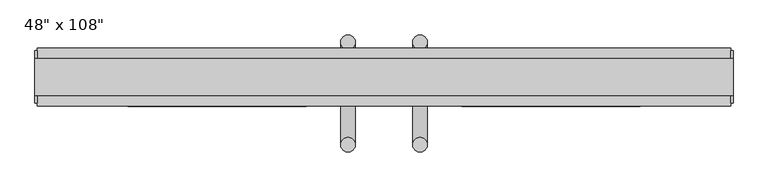
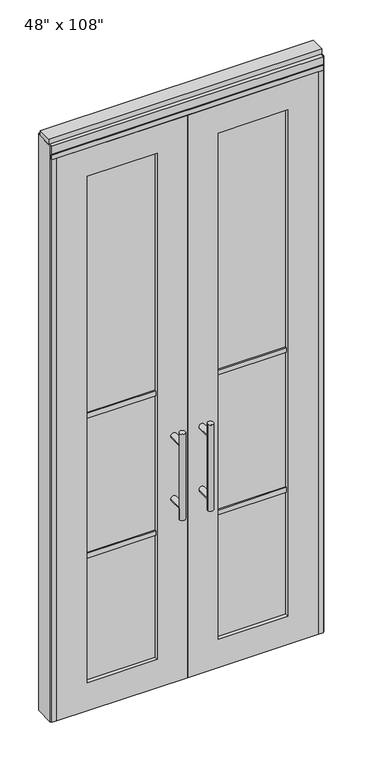
"""IFC4 building model written with IfcOpenShell, lengths in millimetres: furniture geometry."""

from ifc_helpers import new_model, si_unit, frame, origin, origin_with_axes, place, context, project, spatial, polyline, circle_curve, ellipse_curve, outline, extrude, source, transform, mapped, element, save
from ifc_brep_helpers import plane_surface, cylinder_surface, advanced_brep


def furniture_66b95a20(model_context):
    return source(origin(), model_context, "Body", "SolidModel", [
        advanced_brep(
        [(-110.0745229, 56.6962784, 1219.2), (-135.4745229, 56.6962784, 1219.2), (-110.0745229, 56.6962784, 812.8), (-135.4745229, 56.6962784, 812.8), (-110.0745229, 56.6962784, 1164.336), (-110.0745229, 56.6962784, 867.664), (-135.4745229, 56.6962784, 867.664), (-135.4745229, 56.6962784, 1164.336), (-110.0745229, -10.8677216, 1164.336), (-135.4745229, -10.8677216, 1164.336), (-110.0745229, -10.8677216, 867.664), (-135.4745229, -10.8677216, 867.664)],
        [
            (0, 1, circle_curve(frame((-122.7745229, 56.6962784, 1219.2), z_axis=(0.0, 0.0, 1.0), x_axis=(-1.0, 0.0, 0.0)), 12.7)),
            (1, 0, circle_curve(frame((-122.7745229, 56.6962784, 1219.2), z_axis=(0.0, 0.0, 1.0), x_axis=(-1.0, 0.0, 0.0)), 12.7)),
            (2, 3, circle_curve(frame((-122.7745229, 56.6962784, 812.8), z_axis=(0.0, 0.0, -1.0), x_axis=(-1.0, 0.0, 0.0)), 12.7)),
            (3, 2, circle_curve(frame((-122.7745229, 56.6962784, 812.8), z_axis=(0.0, 0.0, -1.0), x_axis=(-1.0, 0.0, 0.0)), 12.7)),
            (0, 4),
            (4, 5),
            (5, 2),
            (3, 6),
            (6, 7),
            (7, 1),
            (7, 4, ellipse_curve(frame((-122.7745229, 56.6962784, 1164.336), z_axis=(0.0, 0.707106781186565, 0.70710678118653), x_axis=(0.0, -0.70710678118653, 0.707106781186565)), 17.9605122, 12.7)),
            (5, 6, ellipse_curve(frame((-122.7745229, 56.6962784, 867.664), z_axis=(0.0, 0.70710678118653, -0.7071067811865649), x_axis=(0.0, 0.7071067811865648, 0.7071067811865301)), 17.9605122, 12.7)),
            (4, 7, ellipse_curve(frame((-122.7745229, 56.6962784, 1164.336), z_axis=(0.0, 0.70710678118653, -0.7071067811865649), x_axis=(0.0, 0.7071067811865648, 0.7071067811865301)), 17.9605122, 12.7)),
            (6, 5, ellipse_curve(frame((-122.7745229, 56.6962784, 867.664), z_axis=(0.0, 0.707106781186565, 0.70710678118653), x_axis=(0.0, -0.70710678118653, 0.707106781186565)), 17.9605122, 12.7)),
            (8, 9, circle_curve(frame((-122.7745229, -10.8677216, 1164.336), z_axis=(0.0, -1.0, 0.0), x_axis=(-1.0, 0.0, 0.0)), 12.7)),
            (9, 8, circle_curve(frame((-122.7745229, -10.8677216, 1164.336), z_axis=(0.0, -1.0, 0.0), x_axis=(-1.0, 0.0, 0.0)), 12.7)),
            (9, 7),
            (4, 8),
            (10, 11, circle_curve(frame((-122.7745229, -10.8677216, 867.664), z_axis=(0.0, -1.0, 0.0), x_axis=(-1.0, 0.0, 0.0)), 12.7)),
            (11, 10, circle_curve(frame((-122.7745229, -10.8677216, 867.664), z_axis=(0.0, -1.0, 0.0), x_axis=(-1.0, 0.0, 0.0)), 12.7)),
            (11, 6),
            (5, 10),
        ],
        [
            plane_surface(frame((-135.4745229, 56.6962784, 1219.2), z_axis=(0.0, 0.0, 1.0), x_axis=(0.0, -1.0, 0.0))),
            plane_surface(frame((-135.4745229, 56.6962784, 812.8), z_axis=(0.0, 0.0, -1.0), x_axis=(0.0, 1.0, 0.0))),
            cylinder_surface(frame((-122.7745229, 56.6962784, 812.8), z_axis=(0.0, 0.0, 1.0), x_axis=(-1.0, 0.0, 0.0)), 12.7),
            plane_surface(frame((-135.4745229, -10.8677216, 1164.336), z_axis=(0.0, -1.0, 0.0), x_axis=(0.0, 0.0, -1.0))),
            cylinder_surface(frame((-122.7745229, -10.8677216, 1164.336), z_axis=(0.0, 1.0, 0.0), x_axis=(-1.0, 0.0, 0.0)), 12.7),
            plane_surface(frame((-135.4745229, -10.8677216, 867.664), z_axis=(0.0, -1.0, 0.0), x_axis=(0.0, 0.0, -1.0))),
            cylinder_surface(frame((-122.7745229, -10.8677216, 867.664), z_axis=(0.0, 1.0, 0.0), x_axis=(-1.0, 0.0, 0.0)), 12.7),
        ],
        [
            (0, [[1, 2]]),
            (1, [[3, 4]]),
            (2, [[-1, 5, 6, 7, -4, 8, 9, 10]]),
            (2, [[-2, -10, 11, -5]]),
            (2, [[-3, -7, 12, -8]]),
            (2, [[13, -9, 14, -6]]),
            (3, [[15, 16]]),
            (4, [[-16, 17, -13, 18]]),
            (4, [[-15, -18, -11, -17]]),
            (5, [[19, 20]]),
            (6, [[-20, 21, -12, 22]]),
            (6, [[-19, -22, -14, -21]]),
        ],
    ),
        advanced_brep(
        [(-110.0745229, -122.8817216, 1219.2), (-135.4745229, -122.8817216, 1219.2), (-110.0745229, -122.8817216, 812.8), (-135.4745229, -122.8817216, 812.8), (-135.4745229, -122.8817216, 1164.336), (-135.4745229, -122.8817216, 867.664), (-110.0745229, -122.8817216, 867.664), (-110.0745229, -122.8817216, 1164.336), (-110.0745229, -55.3177216, 1164.336), (-135.4745229, -55.3177216, 1164.336), (-110.0745229, -55.3177216, 867.664), (-135.4745229, -55.3177216, 867.664)],
        [
            (0, 1, circle_curve(frame((-122.7745229, -122.8817216, 1219.2), z_axis=(0.0, 0.0, 1.0), x_axis=(-1.0, 0.0, 0.0)), 12.7)),
            (1, 0, circle_curve(frame((-122.7745229, -122.8817216, 1219.2), z_axis=(0.0, 0.0, 1.0), x_axis=(-1.0, 0.0, 0.0)), 12.7)),
            (2, 3, circle_curve(frame((-122.7745229, -122.8817216, 812.8), z_axis=(0.0, 0.0, -1.0), x_axis=(-1.0, 0.0, 0.0)), 12.7)),
            (3, 2, circle_curve(frame((-122.7745229, -122.8817216, 812.8), z_axis=(0.0, 0.0, -1.0), x_axis=(-1.0, 0.0, 0.0)), 12.7)),
            (1, 4),
            (4, 5),
            (5, 3),
            (2, 6),
            (6, 7),
            (7, 0),
            (6, 5, ellipse_curve(frame((-122.7745229, -122.8817216, 867.664), z_axis=(0.0, -0.707106781186565, 0.70710678118653), x_axis=(0.0, 0.70710678118653, 0.707106781186565)), 17.9605122, 12.7)),
            (4, 7, ellipse_curve(frame((-122.7745229, -122.8817216, 1164.336), z_axis=(0.0, -0.70710678118653, -0.7071067811865649), x_axis=(0.0, -0.7071067811865648, 0.7071067811865301)), 17.9605122, 12.7)),
            (7, 4, ellipse_curve(frame((-122.7745229, -122.8817216, 1164.336), z_axis=(0.0, -0.707106781186565, 0.70710678118653), x_axis=(0.0, 0.70710678118653, 0.707106781186565)), 17.9605122, 12.7)),
            (5, 6, ellipse_curve(frame((-122.7745229, -122.8817216, 867.664), z_axis=(0.0, -0.70710678118653, -0.7071067811865649), x_axis=(0.0, -0.7071067811865648, 0.7071067811865301)), 17.9605122, 12.7)),
            (8, 9, circle_curve(frame((-122.7745229, -55.3177216, 1164.336), z_axis=(0.0, 1.0, 0.0), x_axis=(-1.0, 0.0, 0.0)), 12.7)),
            (9, 8, circle_curve(frame((-122.7745229, -55.3177216, 1164.336), z_axis=(0.0, 1.0, 0.0), x_axis=(-1.0, 0.0, 0.0)), 12.7)),
            (8, 7),
            (4, 9),
            (10, 11, circle_curve(frame((-122.7745229, -55.3177216, 867.664), z_axis=(0.0, 1.0, 0.0), x_axis=(-1.0, 0.0, 0.0)), 12.7)),
            (11, 10, circle_curve(frame((-122.7745229, -55.3177216, 867.664), z_axis=(0.0, 1.0, 0.0), x_axis=(-1.0, 0.0, 0.0)), 12.7)),
            (10, 6),
            (5, 11),
        ],
        [
            plane_surface(frame((-135.4745229, -122.8817216, 1219.2), z_axis=(0.0, 0.0, 1.0), x_axis=(0.0, 1.0, 0.0))),
            plane_surface(frame((-135.4745229, -122.8817216, 812.8), z_axis=(0.0, 0.0, -1.0), x_axis=(0.0, -1.0, 0.0))),
            cylinder_surface(frame((-122.7745229, -122.8817216, 812.8), z_axis=(0.0, 0.0, 1.0), x_axis=(-1.0, 0.0, 0.0)), 12.7),
            plane_surface(frame((-135.4745229, -55.3177216, 1164.336), z_axis=(0.0, 1.0, 0.0), x_axis=(0.0, 0.0, -1.0))),
            cylinder_surface(frame((-122.7745229, -55.3177216, 1164.336), z_axis=(0.0, -1.0, 0.0), x_axis=(-1.0, 0.0, 0.0)), 12.7),
            plane_surface(frame((-135.4745229, -55.3177216, 867.664), z_axis=(0.0, 1.0, 0.0), x_axis=(0.0, 0.0, -1.0))),
            cylinder_surface(frame((-122.7745229, -55.3177216, 867.664), z_axis=(0.0, -1.0, 0.0), x_axis=(-1.0, 0.0, 0.0)), 12.7),
        ],
        [
            (0, [[1, 2]]),
            (1, [[3, 4]]),
            (2, [[5, 6, 7, -3, 8, 9, 10, -2]]),
            (2, [[-9, 11, -6, 12]]),
            (2, [[-10, 13, -5, -1]]),
            (2, [[-7, 14, -8, -4]]),
            (3, [[15, 16]]),
            (4, [[17, -12, 18, -15]]),
            (4, [[-18, -13, -17, -16]]),
            (5, [[19, 20]]),
            (6, [[21, -14, 22, -19]]),
            (6, [[-22, -11, -21, -20]]),
        ],
    ),
        extrude(outline(polyline([(-196.0535229, -44.2052216), (-507.4575229, -44.2052216), (-507.4575229, -21.9802216), (-196.0535229, -21.9802216), (-196.0535229, -44.2052216)])), frame((0.0, 0.0, 1371.6), z_axis=(0.0, 0.0, 1.0), x_axis=(1.0, 0.0, 0.0)), (0.0, 0.0, 1.0), 22.225),
        extrude(outline(polyline([(-196.0535229, -44.2052216), (-507.4575229, -44.2052216), (-507.4575229, -21.9802216), (-196.0535229, -21.9802216), (-196.0535229, -44.2052216)])), frame((0.0, 0.0, 711.2), z_axis=(0.0, 0.0, 1.0), x_axis=(1.0, 0.0, 0.0)), (0.0, 0.0, 1.0), 22.225),
        extrude(outline(polyline([(-507.4575229, -38.1727216), (-507.4575229, -28.0127216), (-196.0535229, -28.0127216), (-196.0535229, -38.1727216), (-507.4575229, -38.1727216)])), frame((0.0, 0.0, 132.969), z_axis=(0.0, 0.0, 1.0), x_axis=(1.0, 0.0, 0.0)), (0.0, 0.0, 1.0), 2388.362),
        extrude(outline(polyline([(2654.3, -643.4745229), (0.0, -643.4745229), (0.0, -60.0365229), (2654.3, -60.0365229), (2654.3, -643.4745229)]), holes=[polyline([(2521.331, -507.4575229), (2521.331, -196.0535229), (132.969, -196.0535229), (132.969, -507.4575229), (2521.331, -507.4575229)])]), frame((0.0, -55.3177216, 0.0), z_axis=(0.0, 1.0, 0.0), x_axis=(0.0, 0.0, 1.0)), (0.0, 0.0, 1.0), 44.45),
        advanced_brep(
        [(-9.9985229, 56.6962784, 1219.2), (15.4014771, 56.6962784, 1219.2), (-9.9985229, 56.6962784, 812.8), (15.4014771, 56.6962784, 812.8), (15.4014771, 56.6962784, 1164.336), (15.4014771, 56.6962784, 867.664), (-9.9985229, 56.6962784, 867.664), (-9.9985229, 56.6962784, 1164.336), (-9.9985229, -10.8677216, 1164.336), (15.4014771, -10.8677216, 1164.336), (-9.9985229, -10.8677216, 867.664), (15.4014771, -10.8677216, 867.664)],
        [
            (0, 1, circle_curve(frame((2.7014771, 56.6962784, 1219.2), z_axis=(0.0, 0.0, 1.0), x_axis=(1.0, 0.0, 0.0)), 12.7)),
            (1, 0, circle_curve(frame((2.7014771, 56.6962784, 1219.2), z_axis=(0.0, 0.0, 1.0), x_axis=(1.0, 0.0, 0.0)), 12.7)),
            (2, 3, circle_curve(frame((2.7014771, 56.6962784, 812.8), z_axis=(0.0, 0.0, -1.0), x_axis=(1.0, 0.0, 0.0)), 12.7)),
            (3, 2, circle_curve(frame((2.7014771, 56.6962784, 812.8), z_axis=(0.0, 0.0, -1.0), x_axis=(1.0, 0.0, 0.0)), 12.7)),
            (1, 4),
            (4, 5),
            (5, 3),
            (2, 6),
            (6, 7),
            (7, 0),
            (6, 5, ellipse_curve(frame((2.7014771, 56.6962784, 867.664), z_axis=(0.0, 0.707106781186565, 0.70710678118653), x_axis=(0.0, -0.70710678118653, 0.707106781186565)), 17.9605122, 12.7)),
            (4, 7, ellipse_curve(frame((2.7014771, 56.6962784, 1164.336), z_axis=(0.0, 0.70710678118653, -0.7071067811865649), x_axis=(0.0, 0.7071067811865648, 0.7071067811865301)), 17.9605122, 12.7)),
            (7, 4, ellipse_curve(frame((2.7014771, 56.6962784, 1164.336), z_axis=(0.0, 0.707106781186565, 0.70710678118653), x_axis=(0.0, -0.70710678118653, 0.707106781186565)), 17.9605122, 12.7)),
            (5, 6, ellipse_curve(frame((2.7014771, 56.6962784, 867.664), z_axis=(0.0, 0.70710678118653, -0.7071067811865649), x_axis=(0.0, 0.7071067811865648, 0.7071067811865301)), 17.9605122, 12.7)),
            (8, 9, circle_curve(frame((2.7014771, -10.8677216, 1164.336), z_axis=(0.0, -1.0, 0.0), x_axis=(1.0, 0.0, 0.0)), 12.7)),
            (9, 8, circle_curve(frame((2.7014771, -10.8677216, 1164.336), z_axis=(0.0, -1.0, 0.0), x_axis=(1.0, 0.0, 0.0)), 12.7)),
            (8, 7),
            (4, 9),
            (10, 11, circle_curve(frame((2.7014771, -10.8677216, 867.664), z_axis=(0.0, -1.0, 0.0), x_axis=(1.0, 0.0, 0.0)), 12.7)),
            (11, 10, circle_curve(frame((2.7014771, -10.8677216, 867.664), z_axis=(0.0, -1.0, 0.0), x_axis=(1.0, 0.0, 0.0)), 12.7)),
            (10, 6),
            (5, 11),
        ],
        [
            plane_surface(frame((15.4014771, 56.6962784, 1219.2), z_axis=(0.0, 0.0, 1.0), x_axis=(0.0, -1.0, 0.0))),
            plane_surface(frame((15.4014771, 56.6962784, 812.8), z_axis=(0.0, 0.0, -1.0), x_axis=(0.0, 1.0, 0.0))),
            cylinder_surface(frame((2.7014771, 56.6962784, 812.8), z_axis=(0.0, 0.0, 1.0), x_axis=(1.0, 0.0, 0.0)), 12.7),
            plane_surface(frame((15.4014771, -10.8677216, 1164.336), z_axis=(0.0, -1.0, 0.0), x_axis=(0.0, 0.0, -1.0))),
            cylinder_surface(frame((2.7014771, -10.8677216, 1164.336), z_axis=(0.0, 1.0, 0.0), x_axis=(1.0, 0.0, 0.0)), 12.7),
            plane_surface(frame((15.4014771, -10.8677216, 867.664), z_axis=(0.0, -1.0, 0.0), x_axis=(0.0, 0.0, -1.0))),
            cylinder_surface(frame((2.7014771, -10.8677216, 867.664), z_axis=(0.0, 1.0, 0.0), x_axis=(1.0, 0.0, 0.0)), 12.7),
        ],
        [
            (0, [[1, 2]]),
            (1, [[3, 4]]),
            (2, [[5, 6, 7, -3, 8, 9, 10, -2]]),
            (2, [[-9, 11, -6, 12]]),
            (2, [[-10, 13, -5, -1]]),
            (2, [[-7, 14, -8, -4]]),
            (3, [[15, 16]]),
            (4, [[17, -12, 18, -15]]),
            (4, [[-18, -13, -17, -16]]),
            (5, [[19, 20]]),
            (6, [[21, -14, 22, -19]]),
            (6, [[-22, -11, -21, -20]]),
        ],
    ),
        advanced_brep(
        [(-9.9985229, -122.8817216, 1219.2), (15.4014771, -122.8817216, 1219.2), (-9.9985229, -122.8817216, 812.8), (15.4014771, -122.8817216, 812.8), (-9.9985229, -122.8817216, 1164.336), (-9.9985229, -122.8817216, 867.664), (15.4014771, -122.8817216, 867.664), (15.4014771, -122.8817216, 1164.336), (-9.9985229, -55.3177216, 1164.336), (15.4014771, -55.3177216, 1164.336), (-9.9985229, -55.3177216, 867.664), (15.4014771, -55.3177216, 867.664)],
        [
            (0, 1, circle_curve(frame((2.7014771, -122.8817216, 1219.2), z_axis=(0.0, 0.0, 1.0), x_axis=(1.0, 0.0, 0.0)), 12.7)),
            (1, 0, circle_curve(frame((2.7014771, -122.8817216, 1219.2), z_axis=(0.0, 0.0, 1.0), x_axis=(1.0, 0.0, 0.0)), 12.7)),
            (2, 3, circle_curve(frame((2.7014771, -122.8817216, 812.8), z_axis=(0.0, 0.0, -1.0), x_axis=(1.0, 0.0, 0.0)), 12.7)),
            (3, 2, circle_curve(frame((2.7014771, -122.8817216, 812.8), z_axis=(0.0, 0.0, -1.0), x_axis=(1.0, 0.0, 0.0)), 12.7)),
            (0, 4),
            (4, 5),
            (5, 2),
            (3, 6),
            (6, 7),
            (7, 1),
            (7, 4, ellipse_curve(frame((2.7014771, -122.8817216, 1164.336), z_axis=(0.0, -0.707106781186565, 0.70710678118653), x_axis=(0.0, 0.70710678118653, 0.707106781186565)), 17.9605122, 12.7)),
            (5, 6, ellipse_curve(frame((2.7014771, -122.8817216, 867.664), z_axis=(0.0, -0.70710678118653, -0.7071067811865649), x_axis=(0.0, -0.7071067811865648, 0.7071067811865301)), 17.9605122, 12.7)),
            (4, 7, ellipse_curve(frame((2.7014771, -122.8817216, 1164.336), z_axis=(0.0, -0.70710678118653, -0.7071067811865649), x_axis=(0.0, -0.7071067811865648, 0.7071067811865301)), 17.9605122, 12.7)),
            (6, 5, ellipse_curve(frame((2.7014771, -122.8817216, 867.664), z_axis=(0.0, -0.707106781186565, 0.70710678118653), x_axis=(0.0, 0.70710678118653, 0.707106781186565)), 17.9605122, 12.7)),
            (8, 9, circle_curve(frame((2.7014771, -55.3177216, 1164.336), z_axis=(0.0, 1.0, 0.0), x_axis=(1.0, 0.0, 0.0)), 12.7)),
            (9, 8, circle_curve(frame((2.7014771, -55.3177216, 1164.336), z_axis=(0.0, 1.0, 0.0), x_axis=(1.0, 0.0, 0.0)), 12.7)),
            (9, 7),
            (4, 8),
            (10, 11, circle_curve(frame((2.7014771, -55.3177216, 867.664), z_axis=(0.0, 1.0, 0.0), x_axis=(1.0, 0.0, 0.0)), 12.7)),
            (11, 10, circle_curve(frame((2.7014771, -55.3177216, 867.664), z_axis=(0.0, 1.0, 0.0), x_axis=(1.0, 0.0, 0.0)), 12.7)),
            (11, 6),
            (5, 10),
        ],
        [
            plane_surface(frame((15.4014771, -122.8817216, 1219.2), z_axis=(0.0, 0.0, 1.0), x_axis=(0.0, 1.0, 0.0))),
            plane_surface(frame((15.4014771, -122.8817216, 812.8), z_axis=(0.0, 0.0, -1.0), x_axis=(0.0, -1.0, 0.0))),
            cylinder_surface(frame((2.7014771, -122.8817216, 812.8), z_axis=(0.0, 0.0, 1.0), x_axis=(1.0, 0.0, 0.0)), 12.7),
            plane_surface(frame((15.4014771, -55.3177216, 1164.336), z_axis=(0.0, 1.0, 0.0), x_axis=(0.0, 0.0, -1.0))),
            cylinder_surface(frame((2.7014771, -55.3177216, 1164.336), z_axis=(0.0, -1.0, 0.0), x_axis=(1.0, 0.0, 0.0)), 12.7),
            plane_surface(frame((15.4014771, -55.3177216, 867.664), z_axis=(0.0, 1.0, 0.0), x_axis=(0.0, 0.0, -1.0))),
            cylinder_surface(frame((2.7014771, -55.3177216, 867.664), z_axis=(0.0, -1.0, 0.0), x_axis=(1.0, 0.0, 0.0)), 12.7),
        ],
        [
            (0, [[1, 2]]),
            (1, [[3, 4]]),
            (2, [[-1, 5, 6, 7, -4, 8, 9, 10]]),
            (2, [[-2, -10, 11, -5]]),
            (2, [[-3, -7, 12, -8]]),
            (2, [[13, -9, 14, -6]]),
            (3, [[15, 16]]),
            (4, [[-16, 17, -13, 18]]),
            (4, [[-15, -18, -11, -17]]),
            (5, [[19, 20]]),
            (6, [[-20, 21, -12, 22]]),
            (6, [[-19, -22, -14, -21]]),
        ],
    ),
        extrude(outline(polyline([(75.9804771, -44.2052216), (75.9804771, -21.9802216), (387.3844771, -21.9802216), (387.3844771, -44.2052216), (75.9804771, -44.2052216)])), frame((0.0, 0.0, 1371.6), z_axis=(0.0, 0.0, 1.0), x_axis=(1.0, 0.0, 0.0)), (0.0, 0.0, 1.0), 22.225),
        extrude(outline(polyline([(75.9804771, -44.2052216), (75.9804771, -21.9802216), (387.3844771, -21.9802216), (387.3844771, -44.2052216), (75.9804771, -44.2052216)])), frame((0.0, 0.0, 711.2), z_axis=(0.0, 0.0, 1.0), x_axis=(1.0, 0.0, 0.0)), (0.0, 0.0, 1.0), 22.225),
        extrude(outline(polyline([(387.3844771, -38.1727216), (75.9804771, -38.1727216), (75.9804771, -28.0127216), (387.3844771, -28.0127216), (387.3844771, -38.1727216)])), frame((0.0, 0.0, 132.969), z_axis=(0.0, 0.0, 1.0), x_axis=(1.0, 0.0, 0.0)), (0.0, 0.0, 1.0), 2388.362),
        extrude(outline(polyline([(2654.3, 523.4014771), (2654.3, -60.0365229), (0.0, -60.0365229), (0.0, 523.4014771), (2654.3, 523.4014771)]), holes=[polyline([(2521.331, 387.3844771), (132.969, 387.3844771), (132.969, 75.9804771), (2521.331, 75.9804771), (2521.331, 387.3844771)])]), frame((0.0, -55.3177216, 0.0), z_axis=(0.0, 1.0, 0.0), x_axis=(0.0, 0.0, 1.0)), (0.0, 0.0, 1.0), 44.45),
        extrude(outline(polyline([(-665.6995229, -55.3177216), (-665.6995229, 46.2822784), (545.6264771, 46.2822784), (545.6264771, -55.3177216), (-665.6995229, -55.3177216)])), frame((0.0, 0.0, 2654.3), z_axis=(0.0, 0.0, 1.0), x_axis=(1.0, 0.0, 0.0)), (0.0, 0.0, 1.0), 22.225),
        extrude(outline(polyline([(549.5634771, -50.3647216), (545.6264771, -50.3647216), (545.6264771, 41.3292784), (549.5634771, 41.3292784), (549.5634771, -50.3647216)])), origin_with_axes(), (0.0, 0.0, 1.0), 2717.8),
        extrude(outline(polyline([(-669.6365229, -50.3647216), (-669.6365229, 41.3292784), (-665.6995229, 41.3292784), (-665.6995229, -50.3647216), (-669.6365229, -50.3647216)])), origin_with_axes(), (0.0, 0.0, 1.0), 2717.8),
        extrude(outline(polyline([(523.4014771, -55.3177216), (523.4014771, 46.2822784), (545.6264771, 46.2822784), (545.6264771, -55.3177216), (523.4014771, -55.3177216)])), origin_with_axes(), (0.0, 0.0, 1.0), 2654.3),
        extrude(outline(polyline([(-643.4745229, -55.3177216), (-665.6995229, -55.3177216), (-665.6995229, 46.2822784), (-643.4745229, 46.2822784), (-643.4745229, -55.3177216)])), origin_with_axes(), (0.0, 0.0, 1.0), 2654.3),
        extrude(outline(polyline([(-55.3177216, 2681.478), (-55.3177216, 2717.8), (46.2822784, 2717.8), (46.2822784, 2681.478), (41.3292784, 2681.478), (41.3292784, 2676.525), (-50.3647216, 2676.525), (-50.3647216, 2681.478), (-55.3177216, 2681.478)])), frame((-665.6995229, 0.0, 0.0), z_axis=(1.0, 0.0, 0.0), x_axis=(0.0, 1.0, 0.0)), (0.0, 0.0, 1.0), 1211.326),
        extrude(outline(polyline([(-669.6365229, -37.0297216), (-669.6365229, 27.9942784), (549.5634771, 27.9942784), (549.5634771, -37.0297216), (-669.6365229, -37.0297216)])), frame((0.0, 0.0, 2717.8), z_axis=(0.0, 0.0, 1.0), x_axis=(1.0, 0.0, 0.0)), (0.0, 0.0, 1.0), 25.4),
    ])


if __name__ == "__main__":
    model = new_model("IFC4")
    model_context = context("Model", 3, world=origin())
    ifc_project = project(units=[si_unit("LENGTHUNIT", "METRE", prefix="MILLI")], contexts=[model_context])
    site = spatial("IfcSite", under=ifc_project)
    building = spatial("IfcBuilding", under=site)
    placement = place(None, origin())
    furniture_shape = furniture_66b95a20(model_context)
    element("IfcFurniture", 1, ObjectType="48\" x 108\"", at=placement, inside=building, context=model_context, shape_type="MappedRepresentation", body=[
        mapped(furniture_shape, transform((0.0, 0.0, 0.0), x_axis=(1.0, 0.0, 0.0), y_axis=(0.0, 1.0, 0.0), z_axis=(0.0, 0.0, 1.0))),
    ])
    save(model, "model.ifc")
